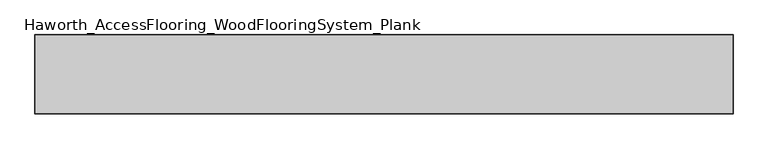
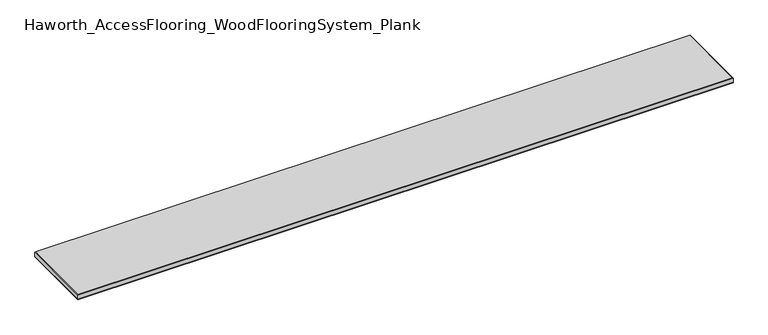
"""IFC4 building model written with IfcOpenShell, lengths in millimetres: proxy geometry, Haworth_AccessFlooring_WoodFlooringSystem_Plank."""

from ifc_helpers import new_model, si_unit, frame, origin, place, context, project, spatial, polyline, outline, extrude, faceted_brep, source, transform, mapped, element, save


def haworth_accessflooring_woodflooringsystem_plank_f613d517(model_context):
    return source(origin(), model_context, "Body", "SolidModel", [
        extrude(outline(polyline([(966.28866, 109.9839844), (966.28866, -109.9839844), (-966.28866, -109.9839844), (-966.28866, 109.9839844), (966.28866, 109.9839844)])), frame((0.0, 0.0, -15.875), z_axis=(0.0, 0.0, 1.0), x_axis=(1.0, 0.0, 0.0)), (0.0, 0.0, 1.0), 0.9921875),
        faceted_brep([(966.28866, 109.9839844, -14.8828125), (966.28866, -109.9839844, -14.8828125), (-966.28866, -109.9839844, -14.8828125), (-966.28866, 109.9839844, -14.8828125), (-966.28866, 109.9839844, -1.5875), (966.28866, 109.9839844, -1.5875), (-966.28866, -109.9839844, -1.5875), (966.28866, -109.9839844, -1.5875), (964.70116, 108.3964844, 0.0), (-964.70116, 108.3964844, 0.0), (-964.70116, -108.3964844, 0.0), (964.70116, -108.3964844, 0.0)], [[[0, 1, 2, 3]], [[0, 3, 4, 5]], [[3, 2, 6, 4]], [[2, 1, 7, 6]], [[1, 0, 5, 7]], [[8, 9, 10, 11]], [[9, 8, 5, 4]], [[10, 9, 4, 6]], [[11, 10, 6, 7]], [[8, 11, 7, 5]]]),
    ])


if __name__ == "__main__":
    model = new_model("IFC4")
    model_context = context("Model", 3, world=origin())
    ifc_project = project(units=[si_unit("LENGTHUNIT", "METRE", prefix="MILLI")], contexts=[model_context])
    site = spatial("IfcSite", under=ifc_project)
    building = spatial("IfcBuilding", under=site)
    placement = place(None, origin())
    haworth_accessflooring_woodflooringsystem_plank_shape = haworth_accessflooring_woodflooringsystem_plank_f613d517(model_context)
    element("IfcBuildingElementProxy", 1, Name="Haworth_AccessFlooring_WoodFlooringSystem_Plank", ObjectType="Haworth_AccessFlooring_WoodFlooringSystem_Plank", at=placement, inside=building, context=model_context, shape_type="MappedRepresentation", body=[
        mapped(haworth_accessflooring_woodflooringsystem_plank_shape, transform((0.0, 0.0, 0.0), x_axis=(1.0, 0.0, 0.0), y_axis=(0.0, 1.0, 0.0), z_axis=(0.0, 0.0, 1.0))),
    ])
    save(model, "model.ifc")
